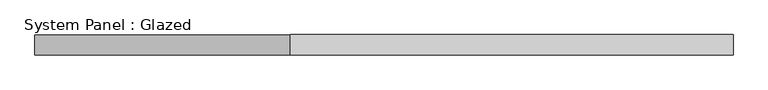
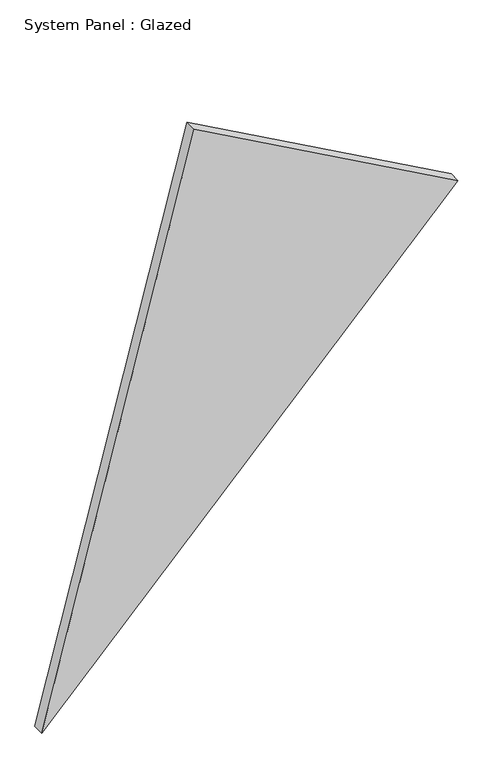
"""IFC4 building model written with IfcOpenShell, lengths in millimetres: plate geometry, System Panel : Glazed."""

from ifc_helpers import new_model, si_unit, frame, origin, place, context, project, spatial, polyline, outline, extrude, source, transform, mapped, element, save


def system_panel_glazed_471dca19(model_context):
    return source(origin(), model_context, "Body", "SweptSolid", [
        extrude(outline(polyline([(0.0, -520.9536883), (1095.4552643, 520.9536883), (1462.9126083, -139.5353905), (0.0, -520.9536883)])), frame((0.0, -36.8101562, 0.0), z_axis=(0.0, 1.0, 0.0), x_axis=(0.0, 0.0, 1.0)), (0.0, 0.0, 1.0), 30.1625),
    ])


if __name__ == "__main__":
    model = new_model("IFC4")
    model_context = context("Model", 3, world=origin())
    ifc_project = project(units=[si_unit("LENGTHUNIT", "METRE", prefix="MILLI")], contexts=[model_context])
    site = spatial("IfcSite", under=ifc_project)
    building = spatial("IfcBuilding", under=site)
    placement = place(None, origin())
    system_panel_glazed_shape = system_panel_glazed_471dca19(model_context)
    element("IfcPlate", 1, ObjectType="System Panel : Glazed", at=placement, inside=building, context=model_context, shape_type="MappedRepresentation", body=[
        mapped(system_panel_glazed_shape, transform((0.0, 0.0, 0.0), x_axis=(1.0, 0.0, 0.0), y_axis=(0.0, 1.0, 0.0), z_axis=(0.0, 0.0, 1.0))),
    ])
    save(model, "model.ifc")
